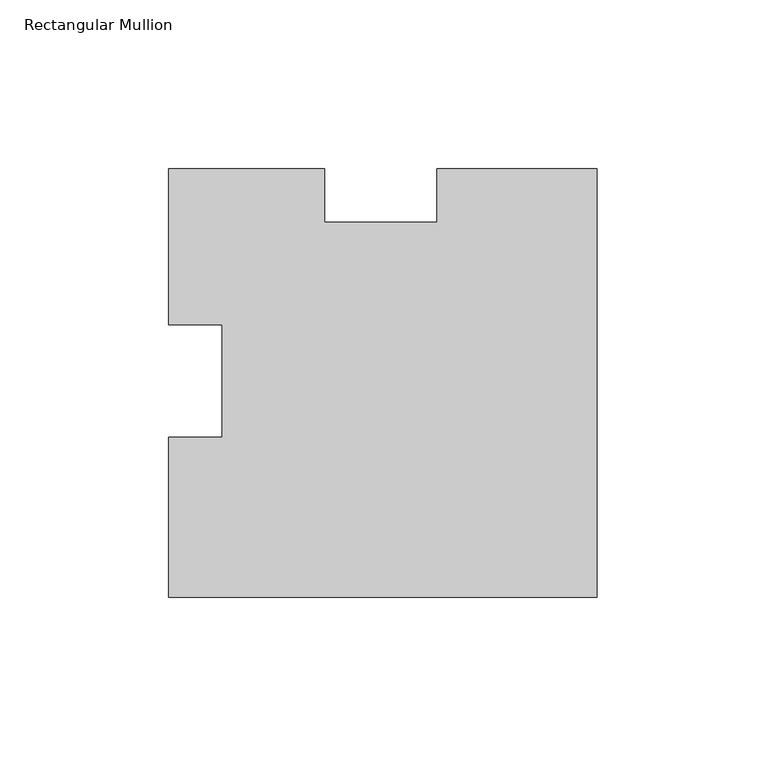
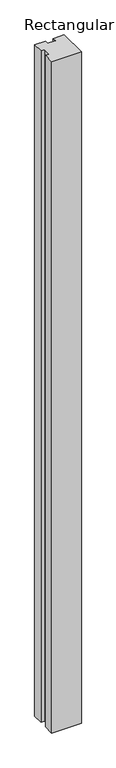
"""IFC4 building model written with IfcOpenShell, lengths in millimetres: member geometry, Rectangular Mullion."""

from ifc_helpers import new_model, si_unit, frame, origin, place, context, project, spatial, polyline, outline, extrude, source, transform, mapped, element, save


def rectangular_mullion_f9535258(model_context):
    return source(origin(), model_context, "Body", "SweptSolid", [
        extrude(outline(polyline([(0.0, 60.6425), (0.0, -66.3575), (-127.0, -66.3575), (-127.0, -18.9320063), (-111.125, -18.9320063), (-111.125, 14.45959), (-127.0, 14.45959), (-127.0, 60.6425), (-80.8457209, 60.6425), (-80.8457209, 44.7675), (-47.4586799, 44.7675), (-47.4586799, 60.6425), (0.0, 60.6425)])), frame((0.0, 0.0, -3048.0), z_axis=(0.0, 0.0, 1.0), x_axis=(1.0, 0.0, 0.0)), (0.0, 0.0, 1.0), 3048.0),
    ])


if __name__ == "__main__":
    model = new_model("IFC4")
    model_context = context("Model", 3, world=origin())
    ifc_project = project(units=[si_unit("LENGTHUNIT", "METRE", prefix="MILLI")], contexts=[model_context])
    site = spatial("IfcSite", under=ifc_project)
    building = spatial("IfcBuilding", under=site)
    placement = place(None, origin())
    rectangular_mullion_shape = rectangular_mullion_f9535258(model_context)
    element("IfcMember", 1, ObjectType="Rectangular Mullion", at=placement, inside=building, context=model_context, shape_type="MappedRepresentation", body=[
        mapped(rectangular_mullion_shape, transform((0.0, 0.0, 0.0), x_axis=(1.0, 0.0, 0.0), y_axis=(0.0, 1.0, 0.0), z_axis=(0.0, 0.0, 1.0))),
    ])
    save(model, "model.ifc")
